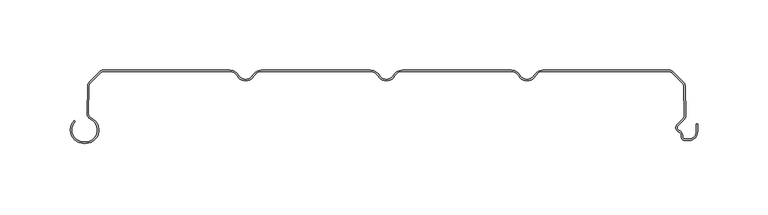
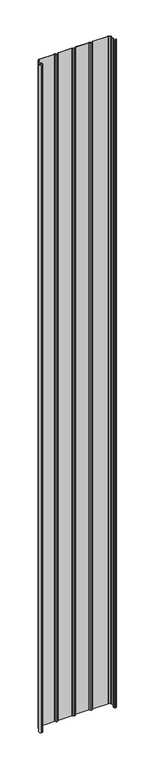
"""IFC4 building model written with IfcOpenShell, lengths in millimetres: plate geometry."""

from ifc_helpers import new_model, si_unit, point, frame_2d, origin, origin_with_axes, place, context, project, spatial, polyline, circle_curve, trimmed, segment, composite_curve, outline, extrude, source, transform, mapped, element, save


def plate_ba3ed369(model_context):
    return source(origin(), model_context, "Body", "SweptSolid", [
        extrude(outline(composite_curve([segment(polyline([(-215.3390011, -51.1554676), (-214.0850011, -51.1554676)]), True, "CONTINUOUS"), segment(trimmed(circle_curve(frame_2d((-214.0850011, -42.6554676)), 8.5), [point((-214.0850011, -51.1554676))], [point((-210.5710458, -34.9158218))], True, "CARTESIAN"), True, "CONTINUOUS"), segment(trimmed(circle_curve(frame_2d((-208.8760791, -31.1825808)), 4.1), [point((-210.5710458, -34.9158218))], [point((-212.9450873, -30.6794186))], False, "CARTESIAN"), True, "CONTINUOUS"), segment(trimmed(circle_curve(frame_2d((-311.8133398, -19.4848369)), 99.5), [point((-212.9450873, -30.6794186))], [point((-212.6085875, -11.8253904))], True, "CARTESIAN"), True, "CONTINUOUS"), segment(trimmed(circle_curve(frame_2d((-208.5303816, -11.4032093)), 4.1), [point((-212.6085875, -11.8253904))], [point((-211.4295194, -8.5040715))], False, "CARTESIAN"), True, "CONTINUOUS"), segment(polyline([(-211.4295194, -8.5040715), (-204.1263102, -1.2008622)]), True, "CONTINUOUS"), segment(trimmed(circle_curve(frame_2d((-201.2271724, -4.1)), 4.1), [point((-204.1263102, -1.2008622))], [point((-201.2271724, 0.0))], False, "CARTESIAN"), True, "CONTINUOUS"), segment(polyline([(-201.2271724, 0.0), (-111.5370778, 0.0)]), True, "CONTINUOUS"), segment(trimmed(circle_curve(frame_2d((-111.5370778, -7.0)), 7.0), [point((-111.5370778, 0.0))], [point((-105.4748999, -3.5))], False, "CARTESIAN"), True, "CONTINUOUS"), segment(trimmed(circle_curve(frame_2d((-100.2787475, -0.5)), 6.0), [point((-105.4748999, -3.5))], [point((-100.2787475, -6.5))], True, "CARTESIAN"), True, "CONTINUOUS"), segment(trimmed(circle_curve(frame_2d((-100.2787475, -0.5)), 6.0), [point((-100.2787475, -6.5))], [point((-95.0825951, -3.5))], True, "CARTESIAN"), True, "CONTINUOUS"), segment(trimmed(circle_curve(frame_2d((-89.0204173, -7.0)), 7.0), [point((-95.0825951, -3.5))], [point((-89.0204173, 0.0))], False, "CARTESIAN"), True, "CONTINUOUS"), segment(polyline([(-89.0204173, 0.0), (-11.5370778, 0.0)]), True, "CONTINUOUS"), segment(trimmed(circle_curve(frame_2d((-11.5370778, -7.0)), 7.0), [point((-11.5370778, 0.0))], [point((-5.4748999, -3.5))], False, "CARTESIAN"), True, "CONTINUOUS"), segment(trimmed(circle_curve(frame_2d((-0.2787475, -0.5)), 6.0), [point((-5.4748999, -3.5))], [point((-0.2787475, -6.5))], True, "CARTESIAN"), True, "CONTINUOUS"), segment(trimmed(circle_curve(frame_2d((-0.2787475, -0.5)), 6.0), [point((-0.2787475, -6.5))], [point((4.9174049, -3.5))], True, "CARTESIAN"), True, "CONTINUOUS"), segment(trimmed(circle_curve(frame_2d((10.9795827, -7.0)), 7.0), [point((4.9174049, -3.5))], [point((10.9795827, 0.0))], False, "CARTESIAN"), True, "CONTINUOUS"), segment(polyline([(10.9795827, 0.0), (88.4629222, 0.0)]), True, "CONTINUOUS"), segment(trimmed(circle_curve(frame_2d((88.4629222, -7.0)), 7.0), [point((88.4629222, 0.0))], [point((94.5251001, -3.5))], False, "CARTESIAN"), True, "CONTINUOUS"), segment(trimmed(circle_curve(frame_2d((99.7212525, -0.5)), 6.0), [point((94.5251001, -3.5))], [point((99.7212525, -6.5))], True, "CARTESIAN"), True, "CONTINUOUS"), segment(trimmed(circle_curve(frame_2d((99.7212525, -0.5)), 6.0), [point((99.7212525, -6.5))], [point((104.9174049, -3.5))], True, "CARTESIAN"), True, "CONTINUOUS"), segment(trimmed(circle_curve(frame_2d((110.9795827, -7.0)), 7.0), [point((104.9174049, -3.5))], [point((110.9795827, 0.0))], False, "CARTESIAN"), True, "CONTINUOUS"), segment(polyline([(110.9795827, 0.0), (200.6696773, 0.0)]), True, "CONTINUOUS"), segment(trimmed(circle_curve(frame_2d((200.6696773, -4.1)), 4.1), [point((200.6696773, 0.0))], [point((203.5688151, -1.2008622))], False, "CARTESIAN"), True, "CONTINUOUS"), segment(polyline([(203.5688151, -1.2008622), (210.8715164, -8.5035635)]), True, "CONTINUOUS"), segment(trimmed(circle_curve(frame_2d((207.9723786, -11.4027013)), 4.1), [point((210.8715164, -8.5035635))], [point((212.0505943, -11.8247881))], False, "CARTESIAN"), True, "CONTINUOUS"), segment(trimmed(circle_curve(frame_2d((311.2588286, -19.4390014)), 99.5), [point((212.0505943, -11.8247881))], [point((212.5062967, -31.6122279))], True, "CARTESIAN"), True, "CONTINUOUS"), segment(trimmed(circle_curve(frame_2d((208.2127326, -32.1706247)), 4.3297228), [point((212.5062967, -31.6122279))], [point((211.1482967, -35.3532279))], False, "CARTESIAN"), True, "CONTINUOUS"), segment(polyline([(211.1482967, -35.3532279), (207.1144213, -39.3871033)]), True, "CONTINUOUS"), segment(trimmed(circle_curve(frame_2d((208.6700563, -40.9427382)), 2.2), [point((207.1144213, -39.3871033))], [point((207.8451237, -42.98222))], True, "CARTESIAN"), True, "CONTINUOUS"), segment(trimmed(circle_curve(frame_2d((206.2702525, -46.8757763)), 4.2), [point((207.8451237, -42.98222))], [point((210.4702525, -46.8757763))], False, "CARTESIAN"), True, "CONTINUOUS"), segment(polyline([(210.4702525, -46.8757763), (210.4702525, -48.0)]), True, "CONTINUOUS"), segment(trimmed(circle_curve(frame_2d((211.4702525, -48.0)), 1.0), [point((210.4702525, -48.0))], [point((211.4702525, -49.0))], True, "CARTESIAN"), True, "CONTINUOUS"), segment(polyline([(211.4702525, -49.0), (214.7712525, -49.0)]), True, "CONTINUOUS"), segment(trimmed(circle_curve(frame_2d((214.7712525, -43.8)), 5.2), [point((214.7712525, -49.0))], [point((219.9712525, -43.8))], True, "CARTESIAN"), True, "CONTINUOUS"), segment(polyline([(219.9712525, -43.8), (219.9712525, -38.169), (220.9712525, -38.169), (220.9712525, -43.8)]), True, "CONTINUOUS"), segment(trimmed(circle_curve(frame_2d((214.7712525, -43.8)), 6.2), [point((220.9712525, -43.8))], [point((214.7712525, -50.0))], False, "CARTESIAN"), True, "CONTINUOUS"), segment(polyline([(214.7712525, -50.0), (211.4702525, -50.0)]), True, "CONTINUOUS"), segment(trimmed(circle_curve(frame_2d((211.4702525, -48.0)), 2.0), [point((211.4702525, -50.0))], [point((209.4702525, -48.0))], False, "CARTESIAN"), True, "CONTINUOUS"), segment(polyline([(209.4702525, -48.0), (209.4702525, -46.8757763)]), True, "CONTINUOUS"), segment(trimmed(circle_curve(frame_2d((206.2702525, -46.8757763)), 3.2), [point((209.4702525, -46.8757763))], [point((207.4701544, -43.9092572))], True, "CARTESIAN"), True, "CONTINUOUS"), segment(trimmed(circle_curve(frame_2d((208.6700563, -40.9427382)), 3.2), [point((207.4701544, -43.9092572))], [point((206.4073146, -38.6799965))], False, "CARTESIAN"), True, "CONTINUOUS"), segment(polyline([(206.4073146, -38.6799965), (210.4563958, -34.6309152)]), True, "CONTINUOUS"), segment(trimmed(circle_curve(frame_2d((208.2127326, -32.1706247)), 3.3297228), [point((210.4563958, -34.6309152))], [point((211.5142452, -31.7381109))], True, "CARTESIAN"), True, "CONTINUOUS"), segment(trimmed(circle_curve(frame_2d((311.2588286, -19.4390014)), 100.5), [point((211.5142452, -31.7381109))], [point((211.0546162, -11.7340799))], False, "CARTESIAN"), True, "CONTINUOUS"), segment(trimmed(circle_curve(frame_2d((207.9723786, -11.4027013)), 3.1), [point((211.0546162, -11.7340799))], [point((210.1644096, -9.2106703))], True, "CARTESIAN"), True, "CONTINUOUS"), segment(polyline([(210.1644096, -9.2106703), (202.8617083, -1.907969)]), True, "CONTINUOUS"), segment(trimmed(circle_curve(frame_2d((200.6696773, -4.1)), 3.1), [point((202.8617083, -1.907969))], [point((200.6696773, -1.0))], True, "CARTESIAN"), True, "CONTINUOUS"), segment(polyline([(200.6696773, -1.0), (110.9795827, -1.0)]), True, "CONTINUOUS"), segment(trimmed(circle_curve(frame_2d((110.9795827, -7.0)), 6.0), [point((110.9795827, -1.0))], [point((105.7834303, -4.0))], True, "CARTESIAN"), True, "CONTINUOUS"), segment(trimmed(circle_curve(frame_2d((99.7212525, -0.5)), 7.0), [point((105.7834303, -4.0))], [point((99.7212525, -7.5))], False, "CARTESIAN"), True, "CONTINUOUS"), segment(trimmed(circle_curve(frame_2d((99.7212525, -0.5)), 7.0), [point((99.7212525, -7.5))], [point((93.6590747, -4.0))], False, "CARTESIAN"), True, "CONTINUOUS"), segment(trimmed(circle_curve(frame_2d((88.4629222, -7.0)), 6.0), [point((93.6590747, -4.0))], [point((88.4629222, -1.0))], True, "CARTESIAN"), True, "CONTINUOUS"), segment(polyline([(88.4629222, -1.0), (10.9795827, -1.0)]), True, "CONTINUOUS"), segment(trimmed(circle_curve(frame_2d((10.9795827, -7.0)), 6.0), [point((10.9795827, -1.0))], [point((5.7834303, -4.0))], True, "CARTESIAN"), True, "CONTINUOUS"), segment(trimmed(circle_curve(frame_2d((-0.2787475, -0.5)), 7.0), [point((5.7834303, -4.0))], [point((-0.2787475, -7.5))], False, "CARTESIAN"), True, "CONTINUOUS"), segment(trimmed(circle_curve(frame_2d((-0.2787475, -0.5)), 7.0), [point((-0.2787475, -7.5))], [point((-6.3409253, -4.0))], False, "CARTESIAN"), True, "CONTINUOUS"), segment(trimmed(circle_curve(frame_2d((-11.5370778, -7.0)), 6.0), [point((-6.3409253, -4.0))], [point((-11.5370778, -1.0))], True, "CARTESIAN"), True, "CONTINUOUS"), segment(polyline([(-11.5370778, -1.0), (-89.0204173, -1.0)]), True, "CONTINUOUS"), segment(trimmed(circle_curve(frame_2d((-89.0204173, -7.0)), 6.0), [point((-89.0204173, -1.0))], [point((-94.2165697, -4.0))], True, "CARTESIAN"), True, "CONTINUOUS"), segment(trimmed(circle_curve(frame_2d((-100.2787475, -0.5)), 7.0), [point((-94.2165697, -4.0))], [point((-100.2787475, -7.5))], False, "CARTESIAN"), True, "CONTINUOUS"), segment(trimmed(circle_curve(frame_2d((-100.2787475, -0.5)), 7.0), [point((-100.2787475, -7.5))], [point((-106.3409253, -4.0))], False, "CARTESIAN"), True, "CONTINUOUS"), segment(trimmed(circle_curve(frame_2d((-111.5370778, -7.0)), 6.0), [point((-106.3409253, -4.0))], [point((-111.5370778, -1.0))], True, "CARTESIAN"), True, "CONTINUOUS"), segment(polyline([(-111.5370778, -1.0), (-201.2271724, -1.0)]), True, "CONTINUOUS"), segment(trimmed(circle_curve(frame_2d((-201.2271724, -4.1)), 3.1), [point((-201.2271724, -1.0))], [point((-203.4192034, -1.907969))], True, "CARTESIAN"), True, "CONTINUOUS"), segment(polyline([(-203.4192034, -1.907969), (-210.7224126, -9.2111782)]), True, "CONTINUOUS"), segment(trimmed(circle_curve(frame_2d((-208.5303816, -11.4032093)), 3.1), [point((-210.7224126, -9.2111782))], [point((-211.6126329, -11.7344595))], True, "CARTESIAN"), True, "CONTINUOUS"), segment(trimmed(circle_curve(frame_2d((-311.8133398, -19.4848369)), 100.5), [point((-211.6126329, -11.7344595))], [point((-211.9520571, -30.7974064))], False, "CARTESIAN"), True, "CONTINUOUS"), segment(trimmed(circle_curve(frame_2d((-208.8760791, -31.1825808)), 3.1), [point((-211.9520571, -30.7974064))], [point((-210.1576393, -34.0052752))], True, "CARTESIAN"), True, "CONTINUOUS"), segment(trimmed(circle_curve(frame_2d((-214.0850011, -42.6554676)), 9.5), [point((-210.1576393, -34.0052752))], [point((-214.0850011, -52.1554676))], False, "CARTESIAN"), True, "CONTINUOUS"), segment(polyline([(-214.0850011, -52.1554676), (-215.3390011, -52.1554676)]), True, "CONTINUOUS"), segment(trimmed(circle_curve(frame_2d((-215.3390011, -42.6554676)), 9.5), [point((-215.3390011, -52.1554676))], [point((-222.0565155, -35.9379532))], False, "CARTESIAN"), True, "CONTINUOUS"), segment(polyline([(-222.0565155, -35.9379532), (-221.3494087, -36.64506)]), True, "CONTINUOUS"), segment(trimmed(circle_curve(frame_2d((-215.3390011, -42.6554676)), 8.5), [point((-221.3494087, -36.64506))], [point((-215.3390011, -51.1554676))], True, "CARTESIAN"), True, "CONTINUOUS")], self_intersect=False)), origin_with_axes(), (0.0, 0.0, 1.0), 4061.7064475),
    ])


if __name__ == "__main__":
    model = new_model("IFC4")
    model_context = context("Model", 3, world=origin())
    ifc_project = project(units=[si_unit("LENGTHUNIT", "METRE", prefix="MILLI")], contexts=[model_context])
    site = spatial("IfcSite", under=ifc_project)
    building = spatial("IfcBuilding", under=site)
    placement = place(None, origin())
    plate_shape = plate_ba3ed369(model_context)
    element("IfcPlate", 1, at=placement, inside=building, context=model_context, shape_type="MappedRepresentation", body=[
        mapped(plate_shape, transform((0.0, 0.0, 0.0), x_axis=(1.0, 0.0, 0.0), y_axis=(0.0, 1.0, 0.0), z_axis=(0.0, 0.0, 1.0))),
    ])
    save(model, "model.ifc")
